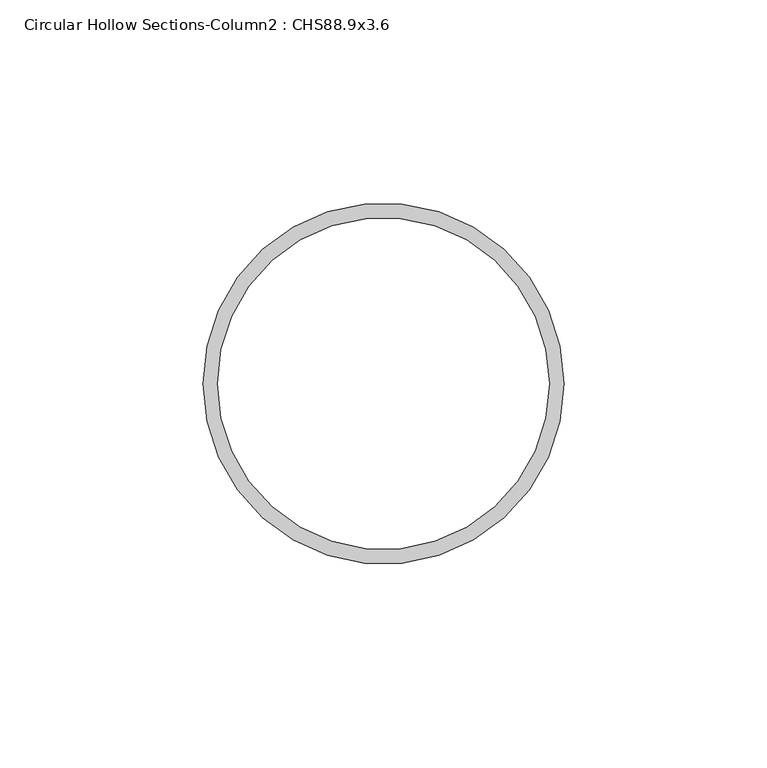
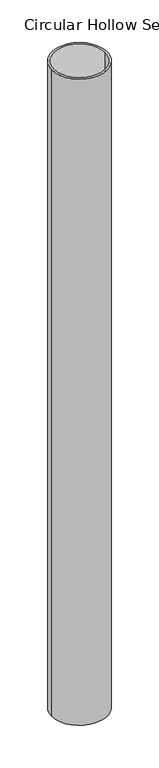
"""IFC4 building model written with IfcOpenShell, lengths in millimetres: column geometry, Circular Hollow Sections-Column2 : CHS88.9x3.6."""

from ifc_helpers import new_model, si_unit, point, frame, origin, origin_2d, place, context, project, spatial, circle_curve, trimmed, segment, composite_curve, outline, extrude, source, transform, mapped, element, save


def circular_hollow_sections_column2_chs88_9x3_6_0eb0d693(model_context):
    return source(origin(), model_context, "Body", "SweptSolid", [
        extrude(outline(composite_curve([segment(trimmed(circle_curve(origin_2d(), 44.45), [point((-44.45, 0.0))], [point((44.45, 0.0))], False, "CARTESIAN"), True, "CONTINUOUS"), segment(trimmed(circle_curve(origin_2d(), 44.45), [point((44.45, 0.0))], [point((-44.45, 0.0))], False, "CARTESIAN"), True, "CONTINUOUS")], self_intersect=False), holes=[composite_curve([segment(trimmed(circle_curve(origin_2d(), 40.85), [point((-40.85, 0.0))], [point((40.85, 0.0))], True, "CARTESIAN"), True, "CONTINUOUS"), segment(trimmed(circle_curve(origin_2d(), 40.85), [point((40.85, 0.0))], [point((-40.85, 0.0))], True, "CARTESIAN"), True, "CONTINUOUS")], self_intersect=False)]), frame((0.0, 0.0, 6250.0), z_axis=(0.0, 0.0, 1.0), x_axis=(1.0, 0.0, 0.0)), (0.0, 0.0, 1.0), 1100.0),
    ])


if __name__ == "__main__":
    model = new_model("IFC4")
    model_context = context("Model", 3, world=origin())
    ifc_project = project(units=[si_unit("LENGTHUNIT", "METRE", prefix="MILLI")], contexts=[model_context])
    site = spatial("IfcSite", under=ifc_project)
    building = spatial("IfcBuilding", under=site)
    placement = place(None, origin())
    circular_hollow_sections_column2_chs88_9x3_6_shape = circular_hollow_sections_column2_chs88_9x3_6_0eb0d693(model_context)
    element("IfcColumn", 1, ObjectType="Circular Hollow Sections-Column2 : CHS88.9x3.6", at=placement, inside=building, context=model_context, shape_type="MappedRepresentation", body=[
        mapped(circular_hollow_sections_column2_chs88_9x3_6_shape, transform((0.0, 0.0, 0.0), x_axis=(1.0, 0.0, 0.0), y_axis=(0.0, 1.0, 0.0), z_axis=(0.0, 0.0, 1.0))),
    ])
    save(model, "model.ifc")
